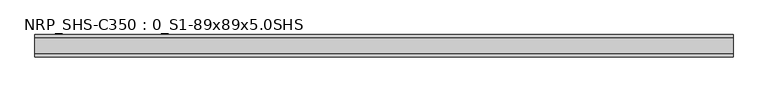
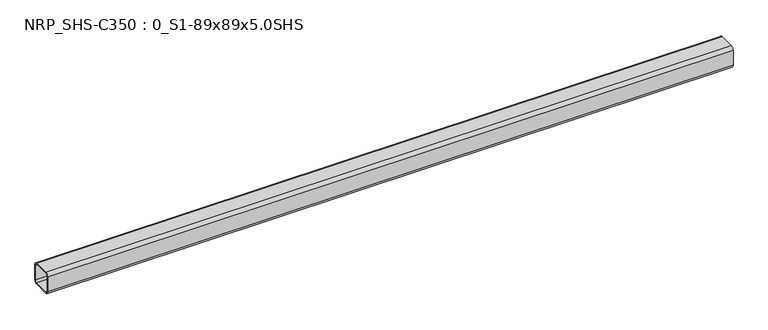
"""IFC4 building model written with IfcOpenShell, lengths in millimetres: beam geometry, NRP_SHS-C350 : 0_S1-89x89x5.0SHS."""

from ifc_helpers import new_model, si_unit, point, frame, frame_2d, origin, place, context, project, spatial, polyline, circle_curve, trimmed, segment, composite_curve, outline, extrude, source, transform, mapped, element, save


def nrp_shs_c350_0_s1_89x89x5_0shs_f1d2a85b(model_context):
    return source(origin(), model_context, "Body", "SweptSolid", [
        extrude(outline(composite_curve([segment(trimmed(circle_curve(frame_2d((-32.0, 32.0)), 12.5), [point((-44.5, 32.0))], [point((-32.0, 44.5))], False, "CARTESIAN"), True, "CONTINUOUS"), segment(polyline([(-32.0, 44.5), (32.0, 44.5)]), True, "CONTINUOUS"), segment(trimmed(circle_curve(frame_2d((32.0, 32.0)), 12.5), [point((32.0, 44.5))], [point((44.5, 32.0))], False, "CARTESIAN"), True, "CONTINUOUS"), segment(polyline([(44.5, 32.0), (44.5, -32.0)]), True, "CONTINUOUS"), segment(trimmed(circle_curve(frame_2d((32.0, -32.0)), 12.5), [point((44.5, -32.0))], [point((32.0, -44.5))], False, "CARTESIAN"), True, "CONTINUOUS"), segment(polyline([(32.0, -44.5), (-32.0, -44.5)]), True, "CONTINUOUS"), segment(trimmed(circle_curve(frame_2d((-32.0, -32.0)), 12.5), [point((-32.0, -44.5))], [point((-44.5, -32.0))], False, "CARTESIAN"), True, "CONTINUOUS"), segment(polyline([(-44.5, -32.0), (-44.5, 32.0)]), True, "CONTINUOUS")], self_intersect=False), holes=[composite_curve([segment(polyline([(32.0, 39.5), (-32.0, 39.5)]), True, "CONTINUOUS"), segment(trimmed(circle_curve(frame_2d((-32.0, 32.0)), 7.5), [point((-32.0, 39.5))], [point((-39.5, 32.0))], True, "CARTESIAN"), True, "CONTINUOUS"), segment(polyline([(-39.5, 32.0), (-39.5, -32.0)]), True, "CONTINUOUS"), segment(trimmed(circle_curve(frame_2d((-32.0, -32.0)), 7.5), [point((-39.5, -32.0))], [point((-32.0, -39.5))], True, "CARTESIAN"), True, "CONTINUOUS"), segment(polyline([(-32.0, -39.5), (32.0, -39.5)]), True, "CONTINUOUS"), segment(trimmed(circle_curve(frame_2d((32.0, -32.0)), 7.5), [point((32.0, -39.5))], [point((39.5, -32.0))], True, "CARTESIAN"), True, "CONTINUOUS"), segment(polyline([(39.5, -32.0), (39.5, 32.0)]), True, "CONTINUOUS"), segment(trimmed(circle_curve(frame_2d((32.0, 32.0)), 7.5), [point((39.5, 32.0))], [point((32.0, 39.5))], True, "CARTESIAN"), True, "CONTINUOUS")], self_intersect=False)]), frame((-1394.0, 0.0, 0.0), z_axis=(1.0, 0.0, 0.0), x_axis=(0.0, 1.0, 0.0)), (0.0, 0.0, 1.0), 2774.0),
    ])


if __name__ == "__main__":
    model = new_model("IFC4")
    model_context = context("Model", 3, world=origin())
    ifc_project = project(units=[si_unit("LENGTHUNIT", "METRE", prefix="MILLI")], contexts=[model_context])
    site = spatial("IfcSite", under=ifc_project)
    building = spatial("IfcBuilding", under=site)
    placement = place(None, origin())
    nrp_shs_c350_0_s1_89x89x5_0shs_shape = nrp_shs_c350_0_s1_89x89x5_0shs_f1d2a85b(model_context)
    element("IfcBeam", 1, ObjectType="NRP_SHS-C350 : 0_S1-89x89x5.0SHS", at=placement, inside=building, context=model_context, shape_type="MappedRepresentation", body=[
        mapped(nrp_shs_c350_0_s1_89x89x5_0shs_shape, transform((0.0, 0.0, 0.0), x_axis=(1.0, 0.0, 0.0), y_axis=(0.0, 1.0, 0.0), z_axis=(0.0, 0.0, 1.0))),
    ])
    save(model, "model.ifc")
